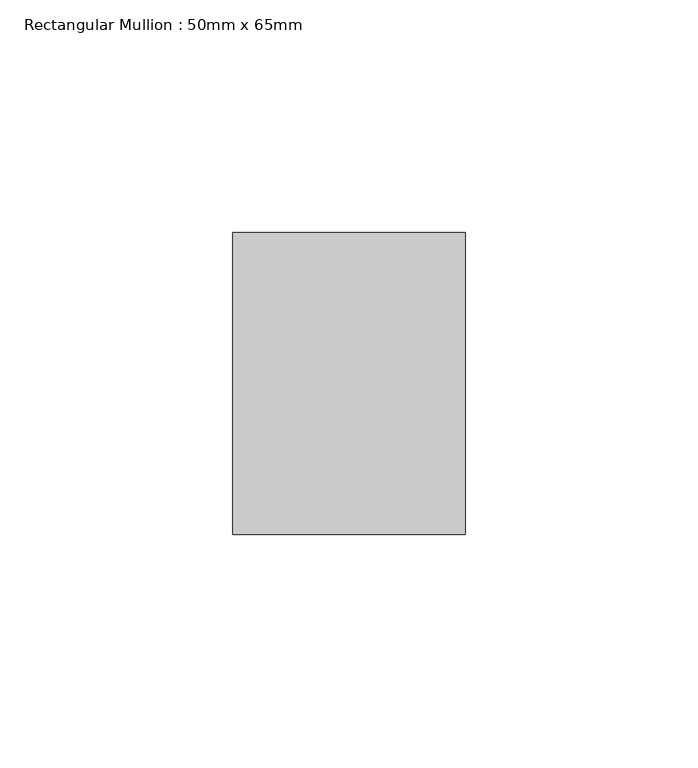
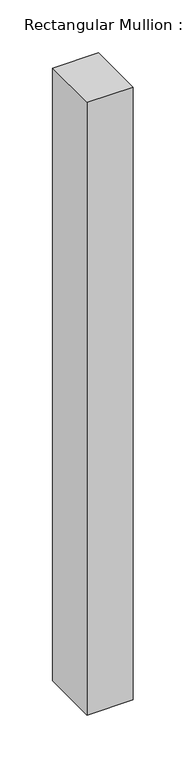
"""IFC4 building model written with IfcOpenShell, lengths in millimetres: member geometry, Rectangular Mullion : 50mm x 65mm."""

from ifc_helpers import new_model, si_unit, frame, origin, place, context, project, spatial, polyline, outline, extrude, source, transform, mapped, element, save


def rectangular_mullion_50mm_x_65mm_6c629eaa(model_context):
    return source(origin(), model_context, "Body", "SweptSolid", [
        extrude(outline(polyline([(25.0, 32.5), (25.0, -32.5), (-25.0, -32.5), (-25.0, 32.5), (25.0, 32.5)])), frame((0.0, 0.0, -705.7730287), z_axis=(0.0, 0.0, 1.0), x_axis=(1.0, 0.0, 0.0)), (0.0, 0.0, 1.0), 705.7730287),
    ])


if __name__ == "__main__":
    model = new_model("IFC4")
    model_context = context("Model", 3, world=origin())
    ifc_project = project(units=[si_unit("LENGTHUNIT", "METRE", prefix="MILLI")], contexts=[model_context])
    site = spatial("IfcSite", under=ifc_project)
    building = spatial("IfcBuilding", under=site)
    placement = place(None, origin())
    rectangular_mullion_50mm_x_65mm_shape = rectangular_mullion_50mm_x_65mm_6c629eaa(model_context)
    element("IfcMember", 1, ObjectType="Rectangular Mullion : 50mm x 65mm", at=placement, inside=building, context=model_context, shape_type="MappedRepresentation", body=[
        mapped(rectangular_mullion_50mm_x_65mm_shape, transform((0.0, 0.0, 0.0), x_axis=(1.0, 0.0, 0.0), y_axis=(0.0, 1.0, 0.0), z_axis=(0.0, 0.0, 1.0))),
    ])
    save(model, "model.ifc")
